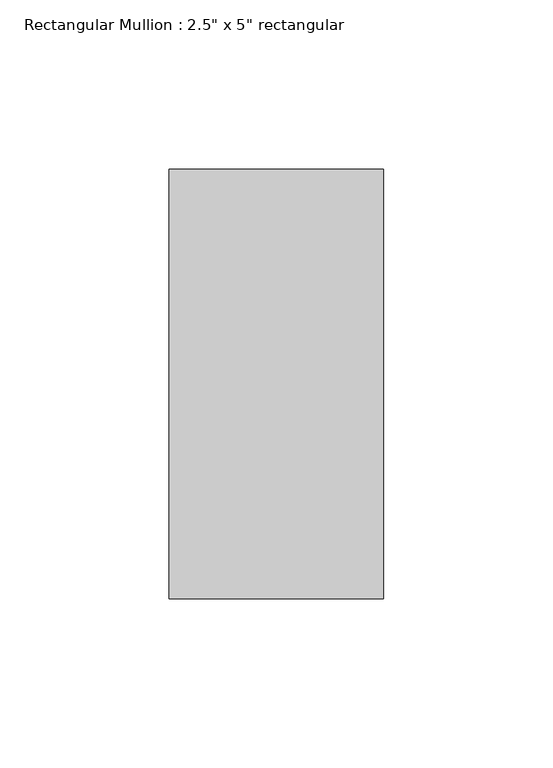
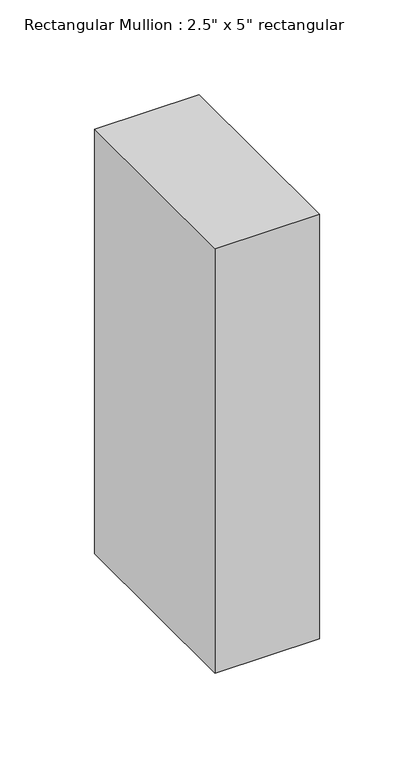
"""IFC4 building model written with IfcOpenShell, lengths in millimetres: member geometry."""

from ifc_helpers import new_model, si_unit, frame, origin, place, context, project, spatial, polyline, outline, extrude, source, transform, mapped, element, save


def member_c327c56d(model_context):
    return source(origin(), model_context, "Body", "SweptSolid", [
        extrude(outline(polyline([(0.0, 63.5), (0.0, -63.5), (-63.5, -63.5), (-63.5, 63.5), (0.0, 63.5)])), frame((0.0, 0.0, -273.05), z_axis=(0.0, 0.0, 1.0), x_axis=(1.0, 0.0, 0.0)), (0.0, 0.0, 1.0), 273.05),
    ])


if __name__ == "__main__":
    model = new_model("IFC4")
    model_context = context("Model", 3, world=origin())
    ifc_project = project(units=[si_unit("LENGTHUNIT", "METRE", prefix="MILLI")], contexts=[model_context])
    site = spatial("IfcSite", under=ifc_project)
    building = spatial("IfcBuilding", under=site)
    placement = place(None, origin())
    member_shape = member_c327c56d(model_context)
    element("IfcMember", 1, ObjectType="Rectangular Mullion : 2.5\" x 5\" rectangular", at=placement, inside=building, context=model_context, shape_type="MappedRepresentation", body=[
        mapped(member_shape, transform((0.0, 0.0, 0.0), x_axis=(1.0, 0.0, 0.0), y_axis=(0.0, 1.0, 0.0), z_axis=(0.0, 0.0, 1.0))),
    ])
    save(model, "model.ifc")
